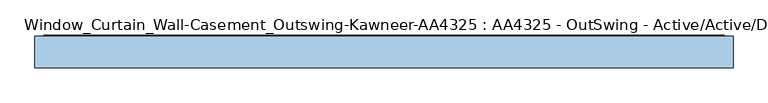
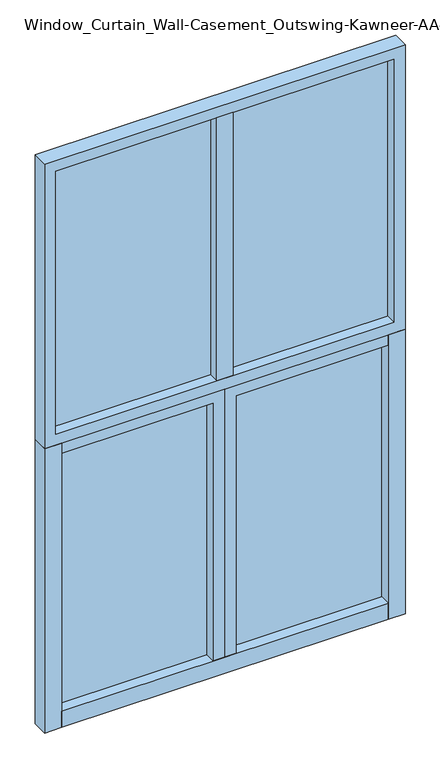
"""IFC4 building model written with IfcOpenShell, lengths in millimetres: window geometry, Window_Curtain_Wall-Casement_Outswing-Kawneer-AA4325 : AA4325 - OutSwing - Active/Active/Double Fixed-Top."""

import ifcopenshell
import ifcopenshell.guid

model = None  # the IFC model being written
_history = None  # IfcOwnerHistory: only IFC2X3 demands one
_inside = {}  # id of a spatial element -> (the spatial element, [elements in it])
_under = {}  # id of a project, library or spatial element -> (it, [spatial elements below it])
_declared = {}  # id of a project -> (the project, [libraries it declares])
_typed = {}  # id of a type object -> (the type object, [elements of that type])
_made_of = {}  # id of a material, layer set ... -> (it, [elements and type objects made of it])


def new_model(schema):
    """Start an empty IFC model of exactly this schema.

    Asked for "IFC4X3", IfcOpenShell would pick the latest addendum, in which some entities
    have other attributes; the version numbers below select the first issue.
    IFC2X3 requires an IfcOwnerHistory on every rooted entity: one is made here for all.
    """
    global model, _history
    if schema == "IFC4X3":
        model = ifcopenshell.file(schema_version=(4, 3, 0, 0))
    else:
        model = ifcopenshell.file(schema=schema)
    _inside.clear()
    _under.clear()
    _declared.clear()
    _typed.clear()
    _made_of.clear()
    _history = None
    if model.schema == "IFC2X3":
        org = make("IfcOrganization", Name="unknown")
        user = make(
            "IfcPersonAndOrganization",
            ThePerson=make("IfcPerson", FamilyName="unknown"),
            TheOrganization=org,
        )
        app = make(
            "IfcApplication",
            ApplicationDeveloper=org,
            Version="unknown",
            ApplicationFullName="unknown",
            ApplicationIdentifier="unknown",
        )
        _history = make(
            "IfcOwnerHistory",
            OwningUser=user,
            OwningApplication=app,
            ChangeAction="ADDED",
            CreationDate=0,
        )
    return model


def make(cls, **values):
    """One entity of the class cls with the attributes given. An attribute that is None is left unset."""
    return model.create_entity(
        cls, **{name: value for name, value in values.items() if value is not None}
    )


def rooted(cls, **values):
    """An entity with a GlobalId (a new one), such as an element, a storey or a relation."""
    return make(cls, GlobalId=ifcopenshell.guid.new(), OwnerHistory=_history, **values)


def si_unit(unit_type, name, prefix=None):
    """IfcSIUnit, for example si_unit("LENGTHUNIT", "METRE", prefix="MILLI")."""
    return make("IfcSIUnit", UnitType=unit_type, Prefix=prefix, Name=name)


def assignment(units):
    """IfcUnitAssignment: the units of a project."""
    return None if units is None else make("IfcUnitAssignment", Units=units)


def point(xyz):
    """IfcCartesianPoint."""
    return None if xyz is None else make("IfcCartesianPoint", Coordinates=xyz)


def direction(xyz):
    """IfcDirection."""
    return None if xyz is None else make("IfcDirection", DirectionRatios=xyz)


def frame(location, z_axis=None, x_axis=None):
    """IfcAxis2Placement3D, a coordinate frame: its origin and axes. An axis left out is left unset."""
    return make(
        "IfcAxis2Placement3D",
        Location=point(location),
        Axis=direction(z_axis),
        RefDirection=direction(x_axis),
    )


def origin():
    """The frame at (0, 0, 0) with its axes left unset."""
    return frame((0.0, 0.0, 0.0))


def origin_with_axes():
    """The frame at (0, 0, 0) with the z axis (0, 0, 1) and the x axis (1, 0, 0) written out."""
    return frame((0.0, 0.0, 0.0), z_axis=(0.0, 0.0, 1.0), x_axis=(1.0, 0.0, 0.0))


def place(relative_to, where):
    """IfcLocalPlacement: puts the frame where relative to a parent placement (None: the world)."""
    return make(
        "IfcLocalPlacement", PlacementRelTo=relative_to, RelativePlacement=where
    )


def context(
    kind, dimensions, precision=None, world=None, true_north=None, identifier=None
):
    """IfcGeometricRepresentationContext, for example the 3D "Model" context."""
    return make(
        "IfcGeometricRepresentationContext",
        ContextIdentifier=identifier,
        ContextType=kind,
        CoordinateSpaceDimension=dimensions,
        Precision=precision,
        WorldCoordinateSystem=world,
        TrueNorth=true_north,
    )


def project(units=None, contexts=None):
    """IfcProject with its units and contexts."""
    return rooted(
        "IfcProject",
        Name="project",
        RepresentationContexts=contexts,
        UnitsInContext=assignment(units),
    )


def spatial(cls, under=None, at=None, **own):
    """A site, building, storey or space (cls), placed at a placement, below another one or the project."""
    s = rooted(cls, ObjectPlacement=at, **own)
    if under is not None:
        _under.setdefault(under.id(), (under, []))[1].append(s)
    return s


def polyline(points):
    """IfcPolyline through the points."""
    return make("IfcPolyline", Points=[point(p) for p in points])


def outline(outer, holes=None, kind="AREA"):
    """IfcArbitraryClosedProfileDef: a profile drawn as a closed curve; with holes, ...WithVoids."""
    if holes is None:
        return make("IfcArbitraryClosedProfileDef", ProfileType=kind, OuterCurve=outer)
    return make(
        "IfcArbitraryProfileDefWithVoids",
        ProfileType=kind,
        OuterCurve=outer,
        InnerCurves=holes,
    )


def extrude(swept, where, along, depth):
    """IfcExtrudedAreaSolid: the profile swept, set in the frame where, extruded along a direction by depth."""
    return make(
        "IfcExtrudedAreaSolid",
        SweptArea=swept,
        Position=where,
        ExtrudedDirection=direction(along),
        Depth=depth,
    )


def shape(context_of_items, identifier, shape_type, items):
    """IfcShapeRepresentation: the items that make up one representation, for example the "Body"."""
    return make(
        "IfcShapeRepresentation",
        ContextOfItems=context_of_items,
        RepresentationIdentifier=identifier,
        RepresentationType=shape_type,
        Items=items,
    )


def source(mapping_origin, context_of_items, identifier, shape_type, items):
    """IfcRepresentationMap: a shape defined once, which mapped items show again and again."""
    return make(
        "IfcRepresentationMap",
        MappingOrigin=mapping_origin,
        MappedRepresentation=shape(context_of_items, identifier, shape_type, items),
    )


def transform(
    local_origin,
    x_axis=None,
    y_axis=None,
    z_axis=None,
    scale=None,
    scale2=None,
    scale3=None,
    uniform=True,
):
    """IfcCartesianTransformationOperator3D, or its non-uniform kind. x_axis, y_axis, z_axis: its Axis1, 2, 3."""
    if uniform:
        return make(
            "IfcCartesianTransformationOperator3D",
            Axis1=direction(x_axis),
            Axis2=direction(y_axis),
            LocalOrigin=point(local_origin),
            Scale=scale,
            Axis3=direction(z_axis),
        )
    return make(
        "IfcCartesianTransformationOperator3DnonUniform",
        Axis1=direction(x_axis),
        Axis2=direction(y_axis),
        LocalOrigin=point(local_origin),
        Scale=scale,
        Axis3=direction(z_axis),
        Scale2=scale2,
        Scale3=scale3,
    )


def mapped(mapping_source, mapping_target):
    """IfcMappedItem: shows the shape of a source again, moved by a transform."""
    return make(
        "IfcMappedItem", MappingSource=mapping_source, MappingTarget=mapping_target
    )


def made_of(thing, what):
    """Note that an element or type object is made of a material, layer set ...; save() writes the relation."""
    if what is not None:
        _made_of.setdefault(what.id(), (what, []))[1].append(thing)
    return thing


def element(
    cls,
    number,
    at=None,
    inside=None,
    cuts=None,
    type_object=None,
    material=None,
    context=None,
    identifier="Body",
    shape_type=None,
    held_by="IfcProductDefinitionShape",
    body=None,
    shapes=None,
    **own,
):
    """One element of the class cls, such as IfcWall. Its Tag is "e" and its number.

    at: its placement. inside: the storey or other place that contains it. cuts: it is an
    opening in that element (IfcRelVoidsElement). A single representation is given by context,
    identifier, shape_type and body (its items); several are given by shapes. held_by: the class
    of the entity that holds the representations. save() writes the other relations.
    """
    e = rooted(cls, Tag="e%d" % number, ObjectPlacement=at, **own)
    if body is not None:
        shapes = [shape(context, identifier, shape_type, body)]
    if shapes is not None:
        e.Representation = make(held_by, Representations=shapes)
    if inside is not None:
        _inside.setdefault(inside.id(), (inside, []))[1].append(e)
    if cuts is not None:
        rooted(
            "IfcRelVoidsElement", RelatingBuildingElement=cuts, RelatedOpeningElement=e
        )
    if type_object is not None:
        _typed.setdefault(type_object.id(), (type_object, []))[1].append(e)
    return made_of(e, material)


def aggregate(whole, parts):
    """IfcRelAggregates: a whole, such as a stair, and the parts it consists of."""
    return rooted("IfcRelAggregates", RelatingObject=whole, RelatedObjects=parts)


def save(model, path):
    """Write the relations noted so far, then the file.

    IfcRelAggregates (storeys below a building ...), IfcRelContainedInSpatialStructure (elements
    in a storey), IfcRelDefinesByType, IfcRelAssociatesMaterial and IfcRelDeclares: one each for
    every whole, place, type object, material and project.
    """
    for whole, parts in _under.values():
        aggregate(whole, parts)
    for where, things in _inside.values():
        rooted(
            "IfcRelContainedInSpatialStructure",
            RelatedElements=things,
            RelatingStructure=where,
        )
    for kind, things in _typed.values():
        rooted("IfcRelDefinesByType", RelatedObjects=things, RelatingType=kind)
    for what, things in _made_of.values():
        rooted("IfcRelAssociatesMaterial", RelatedObjects=things, RelatingMaterial=what)
    for by, libraries in _declared.values():
        rooted("IfcRelDeclares", RelatingContext=by, RelatedDefinitions=libraries)
    model.write(path)


def window_curtain_wall_casement_outswing_kawneer_aa4325_aa4325_02fcaf1f(model_context):
    return source(origin(), model_context, "Body", "SweptSolid", [
        extrude(outline(polyline([(41.275, 41.275), (41.275, -41.275), (-41.275, -41.275), (-41.275, 41.275), (41.275, 41.275)])), frame((0.0, 0.0, 1581.15), z_axis=(0.0, 0.0, 1.0), x_axis=(1.0, 0.0, 0.0)), (0.0, 0.0, 1.0), 1409.7),
        extrude(outline(polyline([(3048.0, 914.4), (3048.0, -914.4), (1524.0, -914.4), (1524.0, 914.4), (3048.0, 914.4)]), holes=[polyline([(2990.85, 857.25), (1581.15, 857.25), (1581.15, -857.25), (2990.85, -857.25), (2990.85, 857.25)])]), frame((0.0, -41.275, 0.0), z_axis=(0.0, 1.0, 0.0), x_axis=(0.0, 0.0, 1.0)), (0.0, 0.0, 1.0), 82.55),
        extrude(outline(polyline([(25.4, -891.38125), (25.4, 0.0), (1524.0, 0.0), (1524.0, -891.38125), (25.4, -891.38125)]), holes=[polyline([(1464.46875, -831.85), (1464.46875, -59.53125), (84.93125, -59.53125), (84.93125, -831.85), (1464.46875, -831.85)])]), frame((0.0, -38.1, 0.0), z_axis=(0.0, 1.0, 0.0), x_axis=(0.0, 0.0, 1.0)), (0.0, 0.0, 1.0), 82.55),
        extrude(outline(polyline([(1524.0, 891.38125), (1524.0, 0.0), (25.4, 0.0), (25.4, 891.38125), (1524.0, 891.38125)]), holes=[polyline([(84.93125, 831.85), (84.93125, 59.53125), (1464.46875, 59.53125), (1464.46875, 831.85), (84.93125, 831.85)])]), frame((0.0, -38.1, 0.0), z_axis=(0.0, 1.0, 0.0), x_axis=(0.0, 0.0, 1.0)), (0.0, 0.0, 1.0), 82.55),
        extrude(outline(polyline([(-857.25, 12.7), (-857.25, 38.1), (857.25, 38.1), (857.25, 12.7), (-857.25, 12.7)])), frame((0.0, 0.0, 1581.15), z_axis=(0.0, 0.0, 1.0), x_axis=(1.0, 0.0, 0.0)), (0.0, 0.0, 1.0), 1409.7),
        extrude(outline(polyline([(59.53125, 15.875), (59.53125, 41.275), (831.85, 41.275), (831.85, 15.875), (59.53125, 15.875)])), frame((0.0, 0.0, 84.93125), z_axis=(0.0, 0.0, 1.0), x_axis=(1.0, 0.0, 0.0)), (0.0, 0.0, 1.0), 1379.5375),
        extrude(outline(polyline([(-831.85, 15.875), (-831.85, 41.275), (-59.53125, 41.275), (-59.53125, 15.875), (-831.85, 15.875)])), frame((0.0, 0.0, 84.93125), z_axis=(0.0, 0.0, 1.0), x_axis=(1.0, 0.0, 0.0)), (0.0, 0.0, 1.0), 1379.5375),
        extrude(outline(polyline([(828.675, 41.275), (828.675, -41.275), (-828.675, -41.275), (-828.675, 41.275), (828.675, 41.275)])), origin_with_axes(), (0.0, 0.0, 1.0), 85.725),
        extrude(outline(polyline([(-914.4, -41.275), (-914.4, 41.275), (-828.675, 41.275), (-828.675, -41.275), (-914.4, -41.275)])), origin_with_axes(), (0.0, 0.0, 1.0), 1524.0),
        extrude(outline(polyline([(914.4, -41.275), (828.675, -41.275), (828.675, 41.275), (914.4, 41.275), (914.4, -41.275)])), origin_with_axes(), (0.0, 0.0, 1.0), 1524.0),
    ])


if __name__ == "__main__":
    model = new_model("IFC4")
    model_context = context("Model", 3, world=origin())
    ifc_project = project(units=[si_unit("LENGTHUNIT", "METRE", prefix="MILLI")], contexts=[model_context])
    site = spatial("IfcSite", under=ifc_project)
    building = spatial("IfcBuilding", under=site)
    placement = place(None, origin())
    window_curtain_wall_casement_outswing_kawneer_aa4325_aa4325_shape = window_curtain_wall_casement_outswing_kawneer_aa4325_aa4325_02fcaf1f(model_context)
    element("IfcWindow", 1, ObjectType="Window_Curtain_Wall-Casement_Outswing-Kawneer-AA4325 : AA4325 - OutSwing - Active/Active/Double Fixed-Top", at=placement, inside=building, context=model_context, shape_type="MappedRepresentation", body=[
        mapped(window_curtain_wall_casement_outswing_kawneer_aa4325_aa4325_shape, transform((0.0, 0.0, 0.0), x_axis=(1.0, 0.0, 0.0), y_axis=(0.0, 1.0, 0.0), z_axis=(0.0, 0.0, 1.0))),
    ])
    save(model, "model.ifc")
